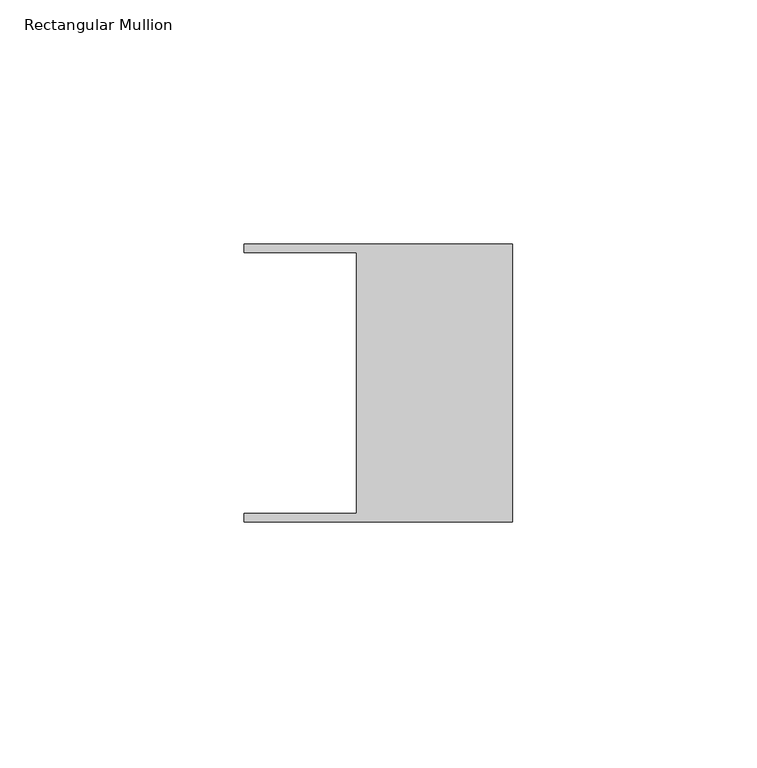
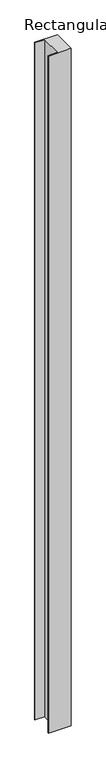
"""IFC4 building model written with IfcOpenShell, lengths in millimetres: member geometry, Rectangular Mullion."""

from ifc_helpers import new_model, si_unit, frame, origin, place, context, project, spatial, polyline, outline, extrude, source, transform, mapped, element, save


def rectangular_mullion_85c23b6b(model_context):
    return source(origin(), model_context, "Body", "SweptSolid", [
        extrude(outline(polyline([(-32.004, -26.67), (-32.004, 26.67), (-54.991, 26.67), (-54.991, 28.448), (0.0, 28.448), (0.0, -28.448), (-54.991, -28.448), (-54.991, -26.67), (-32.004, -26.67)])), frame((0.0, 0.0, -1721.5169715), z_axis=(0.0, 0.0, 1.0), x_axis=(1.0, 0.0, 0.0)), (0.0, 0.0, 1.0), 1721.5169715),
    ])


if __name__ == "__main__":
    model = new_model("IFC4")
    model_context = context("Model", 3, world=origin())
    ifc_project = project(units=[si_unit("LENGTHUNIT", "METRE", prefix="MILLI")], contexts=[model_context])
    site = spatial("IfcSite", under=ifc_project)
    building = spatial("IfcBuilding", under=site)
    placement = place(None, origin())
    rectangular_mullion_shape = rectangular_mullion_85c23b6b(model_context)
    element("IfcMember", 1, ObjectType="Rectangular Mullion", at=placement, inside=building, context=model_context, shape_type="MappedRepresentation", body=[
        mapped(rectangular_mullion_shape, transform((0.0, 0.0, 0.0), x_axis=(1.0, 0.0, 0.0), y_axis=(0.0, 1.0, 0.0), z_axis=(0.0, 0.0, 1.0))),
    ])
    save(model, "model.ifc")
